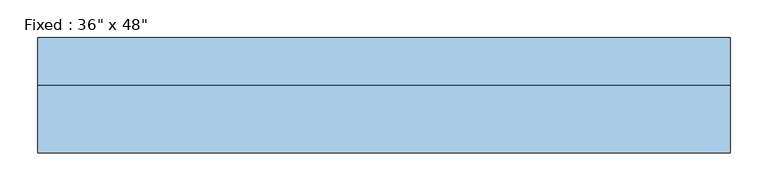
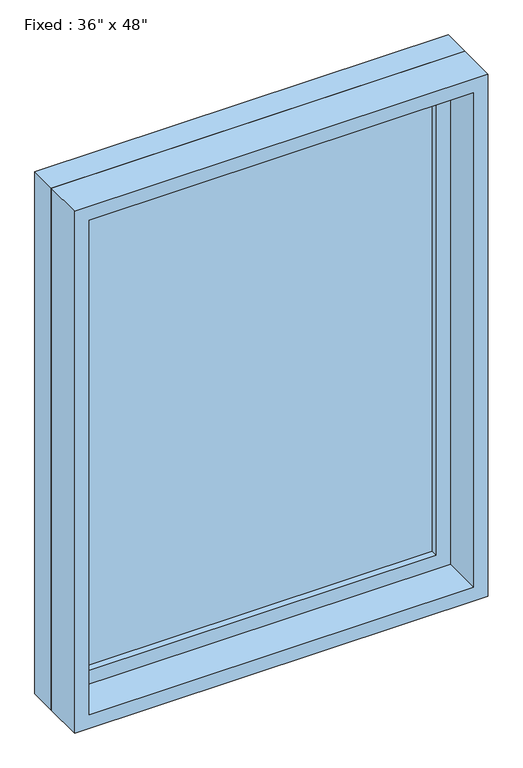
"""IFC4 building model written with IfcOpenShell, lengths in millimetres: window geometry."""

from ifc_helpers import new_model, si_unit, frame, origin, place, context, project, spatial, polyline, outline, extrude, source, transform, mapped, element, save


def window_d657a5cb(model_context):
    return source(origin(), model_context, "Body", "SweptSolid", [
        extrude(outline(polyline([(355.6, 28.575), (-431.8, 28.575), (-431.8, 41.275), (355.6, 41.275), (355.6, 28.575)])), frame((0.0, 0.0, 977.9), z_axis=(0.0, 0.0, 1.0), x_axis=(1.0, 0.0, 0.0)), (0.0, 0.0, 1.0), 1092.2),
        extrude(outline(polyline([(2114.55, -476.25), (933.45, -476.25), (933.45, 400.05), (2114.55, 400.05), (2114.55, -476.25)]), holes=[polyline([(2070.1, -431.8), (2070.1, 355.6), (977.9, 355.6), (977.9, -431.8), (2070.1, -431.8)])]), frame((0.0, 12.7, 0.0), z_axis=(0.0, 1.0, 0.0), x_axis=(0.0, 0.0, 1.0)), (0.0, 0.0, 1.0), 44.45),
        extrude(outline(polyline([(2133.6, -495.3), (914.4, -495.3), (914.4, 419.1), (2133.6, 419.1), (2133.6, -495.3)]), holes=[polyline([(2101.85, -463.55), (2101.85, 387.35), (946.15, 387.35), (946.15, -463.55), (2101.85, -463.55)])]), frame((0.0, -76.2, 0.0), z_axis=(0.0, 1.0, 0.0), x_axis=(0.0, 0.0, 1.0)), (0.0, 0.0, 1.0), 88.9),
        extrude(outline(polyline([(2133.6, 419.1), (2133.6, -495.3), (914.4, -495.3), (914.4, 419.1), (2133.6, 419.1)]), holes=[polyline([(2114.55, 400.05), (933.45, 400.05), (933.45, -476.25), (2114.55, -476.25), (2114.55, 400.05)])]), frame((0.0, 12.7, 0.0), z_axis=(0.0, 1.0, 0.0), x_axis=(0.0, 0.0, 1.0)), (0.0, 0.0, 1.0), 63.5),
    ])


if __name__ == "__main__":
    model = new_model("IFC4")
    model_context = context("Model", 3, world=origin())
    ifc_project = project(units=[si_unit("LENGTHUNIT", "METRE", prefix="MILLI")], contexts=[model_context])
    site = spatial("IfcSite", under=ifc_project)
    building = spatial("IfcBuilding", under=site)
    placement = place(None, origin())
    window_shape = window_d657a5cb(model_context)
    element("IfcWindow", 1, ObjectType="Fixed : 36\" x 48\"", at=placement, inside=building, context=model_context, shape_type="MappedRepresentation", body=[
        mapped(window_shape, transform((0.0, 0.0, 0.0), x_axis=(1.0, 0.0, 0.0), y_axis=(0.0, 1.0, 0.0), z_axis=(0.0, 0.0, 1.0))),
    ])
    save(model, "model.ifc")
